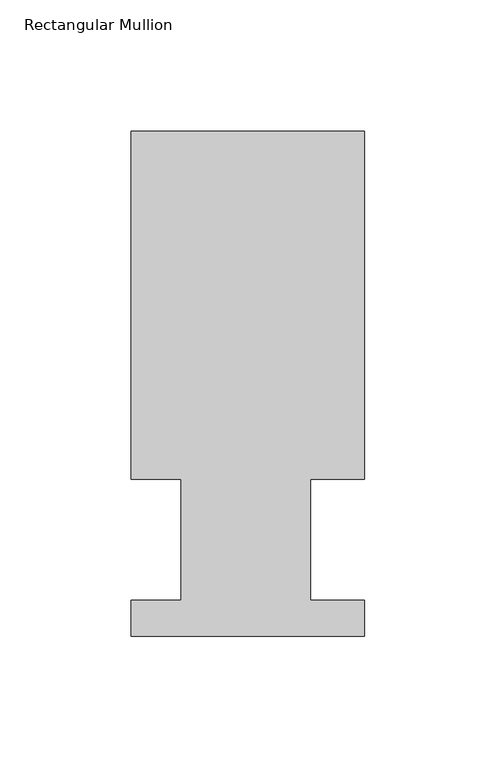
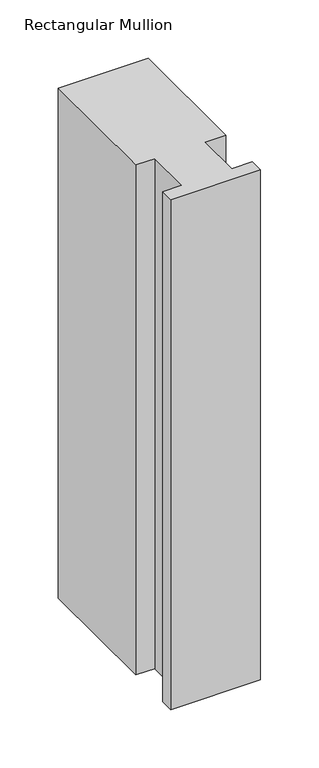
"""IFC4 building model written with IfcOpenShell, lengths in millimetres: member geometry, Rectangular Mullion."""

from ifc_helpers import new_model, si_unit, frame, origin, place, context, project, spatial, polyline, outline, extrude, source, transform, mapped, element, save


def rectangular_mullion_e4827910(model_context):
    return source(origin(), model_context, "Body", "SweptSolid", [
        extrude(outline(polyline([(-88.9, 192.09385), (0.0, 192.09385), (0.0, 59.53125), (-20.6248, 59.53125), (-20.6248, 13.50645), (0.0, 13.50645), (0.0, -0.26035), (-88.9, -0.26035), (-88.9, 13.50645), (-69.85, 13.50645), (-69.85, 59.53125), (-88.9, 59.53125), (-88.9, 192.09385)])), frame((0.0, 0.0, -533.36825), z_axis=(0.0, 0.0, 1.0), x_axis=(1.0, 0.0, 0.0)), (0.0, 0.0, 1.0), 533.36825),
    ])


if __name__ == "__main__":
    model = new_model("IFC4")
    model_context = context("Model", 3, world=origin())
    ifc_project = project(units=[si_unit("LENGTHUNIT", "METRE", prefix="MILLI")], contexts=[model_context])
    site = spatial("IfcSite", under=ifc_project)
    building = spatial("IfcBuilding", under=site)
    placement = place(None, origin())
    rectangular_mullion_shape = rectangular_mullion_e4827910(model_context)
    element("IfcMember", 1, ObjectType="Rectangular Mullion", at=placement, inside=building, context=model_context, shape_type="MappedRepresentation", body=[
        mapped(rectangular_mullion_shape, transform((0.0, 0.0, 0.0), x_axis=(1.0, 0.0, 0.0), y_axis=(0.0, 1.0, 0.0), z_axis=(0.0, 0.0, 1.0))),
    ])
    save(model, "model.ifc")
